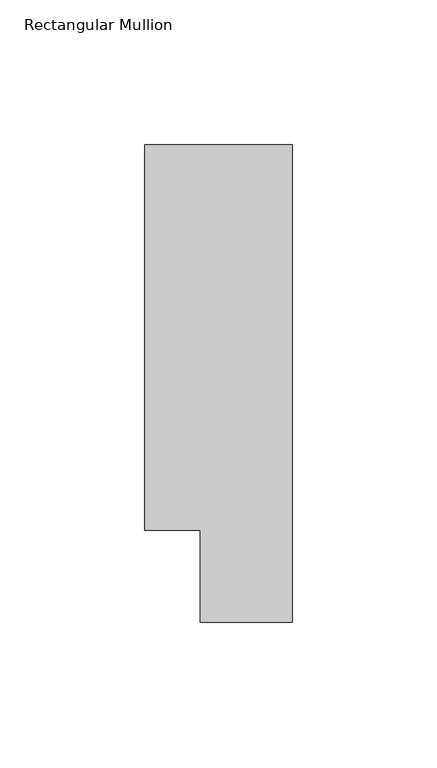
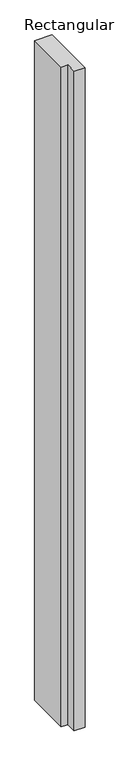
"""IFC4 building model written with IfcOpenShell, lengths in millimetres: member geometry, Rectangular Mullion."""

import ifcopenshell
import ifcopenshell.guid

model = None  # the IFC model being written
_history = None  # IfcOwnerHistory: only IFC2X3 demands one
_inside = {}  # id of a spatial element -> (the spatial element, [elements in it])
_under = {}  # id of a project, library or spatial element -> (it, [spatial elements below it])
_declared = {}  # id of a project -> (the project, [libraries it declares])
_typed = {}  # id of a type object -> (the type object, [elements of that type])
_made_of = {}  # id of a material, layer set ... -> (it, [elements and type objects made of it])


def new_model(schema):
    """Start an empty IFC model of exactly this schema.

    Asked for "IFC4X3", IfcOpenShell would pick the latest addendum, in which some entities
    have other attributes; the version numbers below select the first issue.
    IFC2X3 requires an IfcOwnerHistory on every rooted entity: one is made here for all.
    """
    global model, _history
    if schema == "IFC4X3":
        model = ifcopenshell.file(schema_version=(4, 3, 0, 0))
    else:
        model = ifcopenshell.file(schema=schema)
    _inside.clear()
    _under.clear()
    _declared.clear()
    _typed.clear()
    _made_of.clear()
    _history = None
    if model.schema == "IFC2X3":
        org = make("IfcOrganization", Name="unknown")
        user = make(
            "IfcPersonAndOrganization",
            ThePerson=make("IfcPerson", FamilyName="unknown"),
            TheOrganization=org,
        )
        app = make(
            "IfcApplication",
            ApplicationDeveloper=org,
            Version="unknown",
            ApplicationFullName="unknown",
            ApplicationIdentifier="unknown",
        )
        _history = make(
            "IfcOwnerHistory",
            OwningUser=user,
            OwningApplication=app,
            ChangeAction="ADDED",
            CreationDate=0,
        )
    return model


def make(cls, **values):
    """One entity of the class cls with the attributes given. An attribute that is None is left unset."""
    return model.create_entity(
        cls, **{name: value for name, value in values.items() if value is not None}
    )


def rooted(cls, **values):
    """An entity with a GlobalId (a new one), such as an element, a storey or a relation."""
    return make(cls, GlobalId=ifcopenshell.guid.new(), OwnerHistory=_history, **values)


def si_unit(unit_type, name, prefix=None):
    """IfcSIUnit, for example si_unit("LENGTHUNIT", "METRE", prefix="MILLI")."""
    return make("IfcSIUnit", UnitType=unit_type, Prefix=prefix, Name=name)


def assignment(units):
    """IfcUnitAssignment: the units of a project."""
    return None if units is None else make("IfcUnitAssignment", Units=units)


def point(xyz):
    """IfcCartesianPoint."""
    return None if xyz is None else make("IfcCartesianPoint", Coordinates=xyz)


def direction(xyz):
    """IfcDirection."""
    return None if xyz is None else make("IfcDirection", DirectionRatios=xyz)


def frame(location, z_axis=None, x_axis=None):
    """IfcAxis2Placement3D, a coordinate frame: its origin and axes. An axis left out is left unset."""
    return make(
        "IfcAxis2Placement3D",
        Location=point(location),
        Axis=direction(z_axis),
        RefDirection=direction(x_axis),
    )


def origin():
    """The frame at (0, 0, 0) with its axes left unset."""
    return frame((0.0, 0.0, 0.0))


def place(relative_to, where):
    """IfcLocalPlacement: puts the frame where relative to a parent placement (None: the world)."""
    return make(
        "IfcLocalPlacement", PlacementRelTo=relative_to, RelativePlacement=where
    )


def context(
    kind, dimensions, precision=None, world=None, true_north=None, identifier=None
):
    """IfcGeometricRepresentationContext, for example the 3D "Model" context."""
    return make(
        "IfcGeometricRepresentationContext",
        ContextIdentifier=identifier,
        ContextType=kind,
        CoordinateSpaceDimension=dimensions,
        Precision=precision,
        WorldCoordinateSystem=world,
        TrueNorth=true_north,
    )


def project(units=None, contexts=None):
    """IfcProject with its units and contexts."""
    return rooted(
        "IfcProject",
        Name="project",
        RepresentationContexts=contexts,
        UnitsInContext=assignment(units),
    )


def spatial(cls, under=None, at=None, **own):
    """A site, building, storey or space (cls), placed at a placement, below another one or the project."""
    s = rooted(cls, ObjectPlacement=at, **own)
    if under is not None:
        _under.setdefault(under.id(), (under, []))[1].append(s)
    return s


def polyline(points):
    """IfcPolyline through the points."""
    return make("IfcPolyline", Points=[point(p) for p in points])


def outline(outer, holes=None, kind="AREA"):
    """IfcArbitraryClosedProfileDef: a profile drawn as a closed curve; with holes, ...WithVoids."""
    if holes is None:
        return make("IfcArbitraryClosedProfileDef", ProfileType=kind, OuterCurve=outer)
    return make(
        "IfcArbitraryProfileDefWithVoids",
        ProfileType=kind,
        OuterCurve=outer,
        InnerCurves=holes,
    )


def extrude(swept, where, along, depth):
    """IfcExtrudedAreaSolid: the profile swept, set in the frame where, extruded along a direction by depth."""
    return make(
        "IfcExtrudedAreaSolid",
        SweptArea=swept,
        Position=where,
        ExtrudedDirection=direction(along),
        Depth=depth,
    )


def shape(context_of_items, identifier, shape_type, items):
    """IfcShapeRepresentation: the items that make up one representation, for example the "Body"."""
    return make(
        "IfcShapeRepresentation",
        ContextOfItems=context_of_items,
        RepresentationIdentifier=identifier,
        RepresentationType=shape_type,
        Items=items,
    )


def source(mapping_origin, context_of_items, identifier, shape_type, items):
    """IfcRepresentationMap: a shape defined once, which mapped items show again and again."""
    return make(
        "IfcRepresentationMap",
        MappingOrigin=mapping_origin,
        MappedRepresentation=shape(context_of_items, identifier, shape_type, items),
    )


def transform(
    local_origin,
    x_axis=None,
    y_axis=None,
    z_axis=None,
    scale=None,
    scale2=None,
    scale3=None,
    uniform=True,
):
    """IfcCartesianTransformationOperator3D, or its non-uniform kind. x_axis, y_axis, z_axis: its Axis1, 2, 3."""
    if uniform:
        return make(
            "IfcCartesianTransformationOperator3D",
            Axis1=direction(x_axis),
            Axis2=direction(y_axis),
            LocalOrigin=point(local_origin),
            Scale=scale,
            Axis3=direction(z_axis),
        )
    return make(
        "IfcCartesianTransformationOperator3DnonUniform",
        Axis1=direction(x_axis),
        Axis2=direction(y_axis),
        LocalOrigin=point(local_origin),
        Scale=scale,
        Axis3=direction(z_axis),
        Scale2=scale2,
        Scale3=scale3,
    )


def mapped(mapping_source, mapping_target):
    """IfcMappedItem: shows the shape of a source again, moved by a transform."""
    return make(
        "IfcMappedItem", MappingSource=mapping_source, MappingTarget=mapping_target
    )


def made_of(thing, what):
    """Note that an element or type object is made of a material, layer set ...; save() writes the relation."""
    if what is not None:
        _made_of.setdefault(what.id(), (what, []))[1].append(thing)
    return thing


def element(
    cls,
    number,
    at=None,
    inside=None,
    cuts=None,
    type_object=None,
    material=None,
    context=None,
    identifier="Body",
    shape_type=None,
    held_by="IfcProductDefinitionShape",
    body=None,
    shapes=None,
    **own,
):
    """One element of the class cls, such as IfcWall. Its Tag is "e" and its number.

    at: its placement. inside: the storey or other place that contains it. cuts: it is an
    opening in that element (IfcRelVoidsElement). A single representation is given by context,
    identifier, shape_type and body (its items); several are given by shapes. held_by: the class
    of the entity that holds the representations. save() writes the other relations.
    """
    e = rooted(cls, Tag="e%d" % number, ObjectPlacement=at, **own)
    if body is not None:
        shapes = [shape(context, identifier, shape_type, body)]
    if shapes is not None:
        e.Representation = make(held_by, Representations=shapes)
    if inside is not None:
        _inside.setdefault(inside.id(), (inside, []))[1].append(e)
    if cuts is not None:
        rooted(
            "IfcRelVoidsElement", RelatingBuildingElement=cuts, RelatedOpeningElement=e
        )
    if type_object is not None:
        _typed.setdefault(type_object.id(), (type_object, []))[1].append(e)
    return made_of(e, material)


def aggregate(whole, parts):
    """IfcRelAggregates: a whole, such as a stair, and the parts it consists of."""
    return rooted("IfcRelAggregates", RelatingObject=whole, RelatedObjects=parts)


def save(model, path):
    """Write the relations noted so far, then the file.

    IfcRelAggregates (storeys below a building ...), IfcRelContainedInSpatialStructure (elements
    in a storey), IfcRelDefinesByType, IfcRelAssociatesMaterial and IfcRelDeclares: one each for
    every whole, place, type object, material and project.
    """
    for whole, parts in _under.values():
        aggregate(whole, parts)
    for where, things in _inside.values():
        rooted(
            "IfcRelContainedInSpatialStructure",
            RelatedElements=things,
            RelatingStructure=where,
        )
    for kind, things in _typed.values():
        rooted("IfcRelDefinesByType", RelatedObjects=things, RelatingType=kind)
    for what, things in _made_of.values():
        rooted("IfcRelAssociatesMaterial", RelatedObjects=things, RelatingMaterial=what)
    for by, libraries in _declared.values():
        rooted("IfcRelDeclares", RelatingContext=by, RelatedDefinitions=libraries)
    model.write(path)


def rectangular_mullion_faa6c1db(model_context):
    return source(origin(), model_context, "Body", "SweptSolid", [
        extrude(outline(polyline([(25.4, 184.2396938), (25.4, 19.5460938), (-6.35, 19.5460938), (-6.35, 51.2960937), (-25.4, 51.2960937), (-25.4, 184.2396938), (25.4, 184.2396938)])), frame((0.0, 0.0, -2019.3), z_axis=(0.0, 0.0, 1.0), x_axis=(1.0, 0.0, 0.0)), (0.0, 0.0, 1.0), 2019.3),
    ])


if __name__ == "__main__":
    model = new_model("IFC4")
    model_context = context("Model", 3, world=origin())
    ifc_project = project(units=[si_unit("LENGTHUNIT", "METRE", prefix="MILLI")], contexts=[model_context])
    site = spatial("IfcSite", under=ifc_project)
    building = spatial("IfcBuilding", under=site)
    placement = place(None, origin())
    rectangular_mullion_shape = rectangular_mullion_faa6c1db(model_context)
    element("IfcMember", 1, ObjectType="Rectangular Mullion", at=placement, inside=building, context=model_context, shape_type="MappedRepresentation", body=[
        mapped(rectangular_mullion_shape, transform((0.0, 0.0, 0.0), x_axis=(1.0, 0.0, 0.0), y_axis=(0.0, 1.0, 0.0), z_axis=(0.0, 0.0, 1.0))),
    ])
    save(model, "model.ifc")
